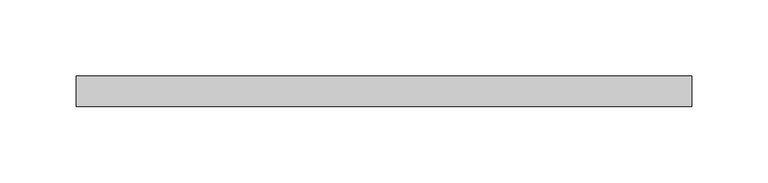
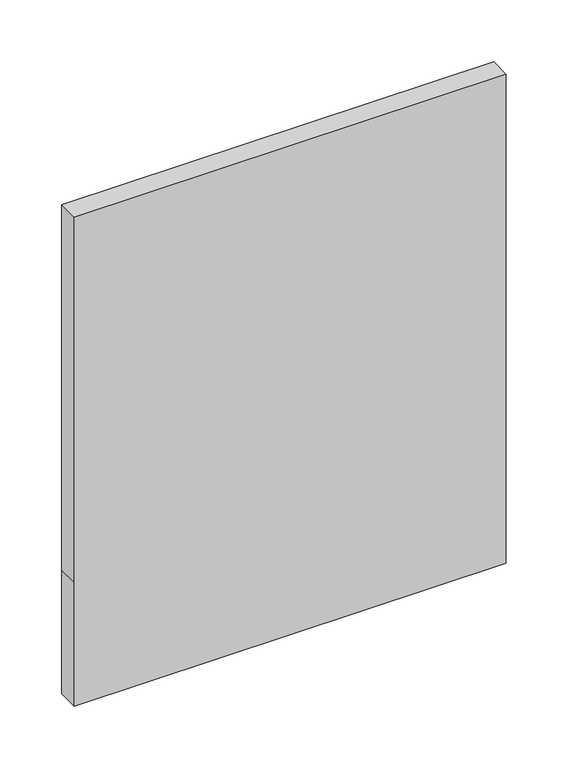
"""IFC4 building model written with IfcOpenShell, lengths in millimetres: plate geometry."""

from ifc_helpers import new_model, si_unit, frame, origin, place, context, project, spatial, polyline, outline, extrude, source, transform, mapped, element, save


def plate_634b8ddc(model_context):
    return source(origin(), model_context, "Body", "SweptSolid", [
        extrude(outline(polyline([(0.0, -201.8421053), (0.0, 201.8421053), (482.7375, 201.8421053), (482.7375, -201.8421053), (122.25, -201.8421053), (0.0, -201.8421053)])), frame((0.0, -90.0, 0.0), z_axis=(0.0, 1.0, 0.0), x_axis=(0.0, 0.0, 1.0)), (0.0, 0.0, 1.0), 20.0),
    ])


if __name__ == "__main__":
    model = new_model("IFC4")
    model_context = context("Model", 3, world=origin())
    ifc_project = project(units=[si_unit("LENGTHUNIT", "METRE", prefix="MILLI")], contexts=[model_context])
    site = spatial("IfcSite", under=ifc_project)
    building = spatial("IfcBuilding", under=site)
    placement = place(None, origin())
    plate_shape = plate_634b8ddc(model_context)
    element("IfcPlate", 1, at=placement, inside=building, context=model_context, shape_type="MappedRepresentation", body=[
        mapped(plate_shape, transform((0.0, 0.0, 0.0), x_axis=(1.0, 0.0, 0.0), y_axis=(0.0, 1.0, 0.0), z_axis=(0.0, 0.0, 1.0))),
    ])
    save(model, "model.ifc")
